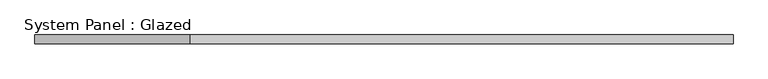
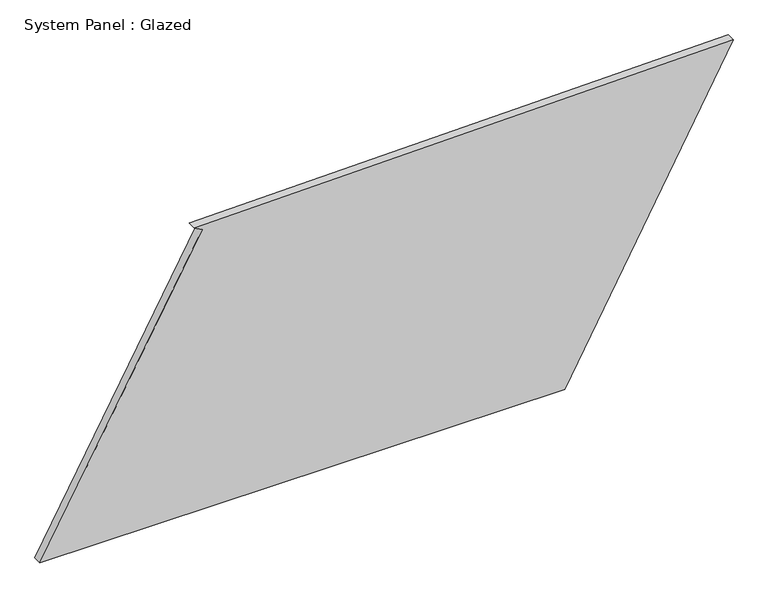
"""IFC4 building model written with IfcOpenShell, lengths in millimetres: plate geometry, System Panel : Glazed."""

from ifc_helpers import new_model, si_unit, frame, origin, place, context, project, spatial, polyline, outline, extrude, source, transform, mapped, element, save


def system_panel_glazed_54737d45(model_context):
    return source(origin(), model_context, "Body", "SweptSolid", [
        extrude(outline(polyline([(0.0, -991.1820968), (0.0, 509.6791518), (888.5493169, 991.1820968), (858.1448754, -549.6625461), (846.1352912, -527.7360807), (0.0, -991.1820968)])), frame((0.0, -49.5, 0.0), z_axis=(0.0, 1.0, 0.0), x_axis=(0.0, 0.0, 1.0)), (0.0, 0.0, 1.0), 25.0),
    ])


if __name__ == "__main__":
    model = new_model("IFC4")
    model_context = context("Model", 3, world=origin())
    ifc_project = project(units=[si_unit("LENGTHUNIT", "METRE", prefix="MILLI")], contexts=[model_context])
    site = spatial("IfcSite", under=ifc_project)
    building = spatial("IfcBuilding", under=site)
    placement = place(None, origin())
    system_panel_glazed_shape = system_panel_glazed_54737d45(model_context)
    element("IfcPlate", 1, ObjectType="System Panel : Glazed", at=placement, inside=building, context=model_context, shape_type="MappedRepresentation", body=[
        mapped(system_panel_glazed_shape, transform((0.0, 0.0, 0.0), x_axis=(1.0, 0.0, 0.0), y_axis=(0.0, 1.0, 0.0), z_axis=(0.0, 0.0, 1.0))),
    ])
    save(model, "model.ifc")
